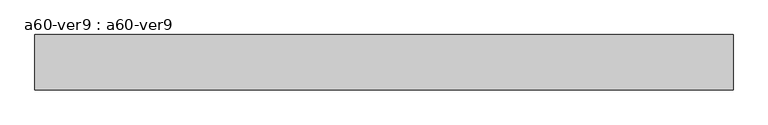
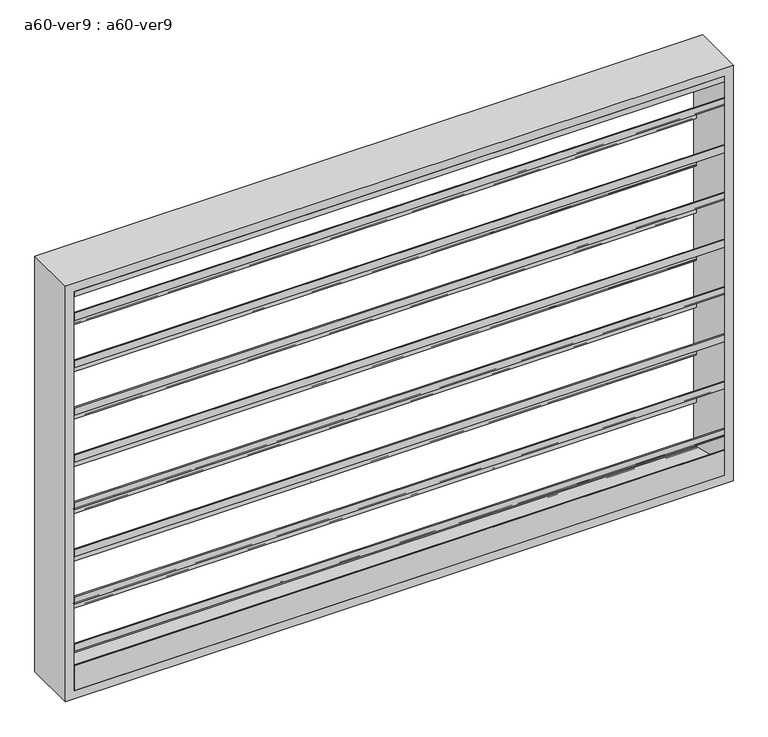
"""IFC4 building model written with IfcOpenShell, lengths in millimetres: proxy geometry, a60-ver9 : a60-ver9."""

from ifc_helpers import new_model, si_unit, frame, origin, place, context, project, spatial, polyline, outline, extrude, source, transform, mapped, element, save


def a60_ver9_a60_ver9_83d6fa95(model_context):
    return source(origin(), model_context, "Body", "SweptSolid", [
        extrude(outline(polyline([(-73.025, 446.0657367), (-73.025, 425.89979), (65.3071116, 319.7538275), (65.3071116, 301.9154476), (73.025, 295.9933035), (73.025, 320.7079125), (76.2, 320.7079125), (76.2, 292.1), (72.883344, 292.1), (62.1321116, 300.3497108), (62.1321116, 318.1880908), (-76.2, 424.3340533), (-76.2, 446.0657367), (-73.025, 446.0657367)])), frame((-939.8, 0.0, 0.0), z_axis=(1.0, 0.0, 0.0), x_axis=(0.0, 1.0, 0.0)), (0.0, 0.0, 1.0), 1879.6),
        extrude(outline(polyline([(-73.025, 590.5282367), (-73.025, 570.36229), (65.3071116, 464.2163275), (65.3071116, 446.3779476), (73.025, 440.4558035), (73.025, 465.1704125), (76.2, 465.1704125), (76.2, 436.5625), (72.883344, 436.5625), (62.1321116, 444.8122108), (62.1321116, 462.6505908), (-76.2, 568.7965533), (-76.2, 590.5282367), (-73.025, 590.5282367)])), frame((-939.8, 0.0, 0.0), z_axis=(1.0, 0.0, 0.0), x_axis=(0.0, 1.0, 0.0)), (0.0, 0.0, 1.0), 1879.6),
        extrude(outline(polyline([(-73.025, 734.9907367), (-73.025, 714.82479), (65.3071116, 608.6788275), (65.3071116, 590.8404476), (73.025, 584.9183035), (73.025, 609.6329125), (76.2, 609.6329125), (76.2, 581.025), (72.883344, 581.025), (62.1321116, 589.2747108), (62.1321116, 607.1130908), (-76.2, 713.2590533), (-76.2, 734.9907367), (-73.025, 734.9907367)])), frame((-939.8, 0.0, 0.0), z_axis=(1.0, 0.0, 0.0), x_axis=(0.0, 1.0, 0.0)), (0.0, 0.0, 1.0), 1879.6),
        extrude(outline(polyline([(-73.025, 879.4532367), (-73.025, 859.28729), (65.3071116, 753.1413275), (65.3071116, 735.3029476), (73.025, 729.3808035), (73.025, 754.0954125), (76.2, 754.0954125), (76.2, 725.4875), (72.883344, 725.4875), (62.1321116, 733.7372108), (62.1321116, 751.5755908), (-76.2, 857.7215533), (-76.2, 879.4532367), (-73.025, 879.4532367)])), frame((-939.8, 0.0, 0.0), z_axis=(1.0, 0.0, 0.0), x_axis=(0.0, 1.0, 0.0)), (0.0, 0.0, 1.0), 1879.6),
        extrude(outline(polyline([(-73.025, 1023.9157367), (-73.025, 1003.74979), (65.3071116, 897.6038275), (65.3071116, 879.7654476), (73.025, 873.8433035), (73.025, 898.5579125), (76.2, 898.5579125), (76.2, 869.95), (72.883344, 869.95), (62.1321116, 878.1997108), (62.1321116, 896.0380908), (-76.2, 1002.1840533), (-76.2, 1023.9157367), (-73.025, 1023.9157367)])), frame((-939.8, 0.0, 0.0), z_axis=(1.0, 0.0, 0.0), x_axis=(0.0, 1.0, 0.0)), (0.0, 0.0, 1.0), 1879.6),
        extrude(outline(polyline([(-73.025, 1168.3782367), (-73.025, 1148.21229), (65.3071116, 1042.0663275), (65.3071116, 1024.2279476), (73.025, 1018.3058035), (73.025, 1043.0204125), (76.2, 1043.0204125), (76.2, 1014.4125), (72.883344, 1014.4125), (62.1321116, 1022.6622108), (62.1321116, 1040.5005908), (-76.2, 1146.6465533), (-76.2, 1168.3782367), (-73.025, 1168.3782367)])), frame((-939.8, 0.0, 0.0), z_axis=(1.0, 0.0, 0.0), x_axis=(0.0, 1.0, 0.0)), (0.0, 0.0, 1.0), 1879.6),
        extrude(outline(polyline([(-73.025, 1312.8407367), (-73.025, 1292.67479), (65.3071116, 1186.5288275), (65.3071116, 1168.6904476), (73.025, 1162.7683035), (73.025, 1187.4829125), (76.2, 1187.4829125), (76.2, 1158.875), (72.883344, 1158.875), (62.1321116, 1167.1247108), (62.1321116, 1184.9630908), (-76.2, 1291.1090533), (-76.2, 1312.8407367), (-73.025, 1312.8407367)])), frame((-939.8, 0.0, 0.0), z_axis=(1.0, 0.0, 0.0), x_axis=(0.0, 1.0, 0.0)), (0.0, 0.0, 1.0), 1879.6),
        extrude(outline(polyline([(-73.025, 1457.3032367), (-73.025, 1437.13729), (65.3071116, 1330.9913275), (65.3071116, 1313.1529476), (73.025, 1307.2308035), (73.025, 1331.9454125), (76.2, 1331.9454125), (76.2, 1303.3375), (72.883344, 1303.3375), (62.1321116, 1311.5872108), (62.1321116, 1329.4255908), (-76.2, 1435.5715533), (-76.2, 1457.3032367), (-73.025, 1457.3032367)])), frame((-939.8, 0.0, 0.0), z_axis=(1.0, 0.0, 0.0), x_axis=(0.0, 1.0, 0.0)), (0.0, 0.0, 1.0), 1879.6),
        extrude(outline(polyline([(0.0, 1508.125), (76.2, 1447.8), (71.0848317, 1447.8), (-5.1151683, 1508.125), (-76.2, 1508.125), (-76.2, 1524.0), (76.2, 1524.0), (0.0, 1508.125)])), frame((-939.8, 0.0, 0.0), z_axis=(1.0, 0.0, 0.0), x_axis=(0.0, 1.0, 0.0)), (0.0, 0.0, 1.0), 1879.6),
        extrude(outline(polyline([(76.2, 304.8), (-76.2, 304.8), (-76.2, 381.0), (-73.025, 381.0), (-73.025, 342.9), (76.2, 304.8)])), frame((-939.8, 0.0, 0.0), z_axis=(1.0, 0.0, 0.0), x_axis=(0.0, 1.0, 0.0)), (0.0, 0.0, 1.0), 1879.6),
        extrude(outline(polyline([(279.4, -965.2), (279.4, 965.2), (1549.4, 965.2), (1549.4, -965.2), (279.4, -965.2)]), holes=[polyline([(304.8, -939.8), (1524.0, -939.8), (1524.0, 939.8), (304.8, 939.8), (304.8, -939.8)])]), frame((0.0, -76.2, 0.0), z_axis=(0.0, 1.0, 0.0), x_axis=(0.0, 0.0, 1.0)), (0.0, 0.0, 1.0), 152.4),
    ])


if __name__ == "__main__":
    model = new_model("IFC4")
    model_context = context("Model", 3, world=origin())
    ifc_project = project(units=[si_unit("LENGTHUNIT", "METRE", prefix="MILLI")], contexts=[model_context])
    site = spatial("IfcSite", under=ifc_project)
    building = spatial("IfcBuilding", under=site)
    placement = place(None, origin())
    a60_ver9_a60_ver9_shape = a60_ver9_a60_ver9_83d6fa95(model_context)
    element("IfcBuildingElementProxy", 1, Name="a60-ver9 : a60-ver9", ObjectType="a60-ver9 : a60-ver9", at=placement, inside=building, context=model_context, shape_type="MappedRepresentation", body=[
        mapped(a60_ver9_a60_ver9_shape, transform((0.0, 0.0, 0.0), x_axis=(1.0, 0.0, 0.0), y_axis=(0.0, 1.0, 0.0), z_axis=(0.0, 0.0, 1.0))),
    ])
    save(model, "model.ifc")
